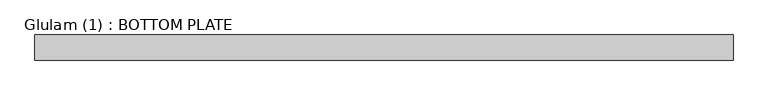
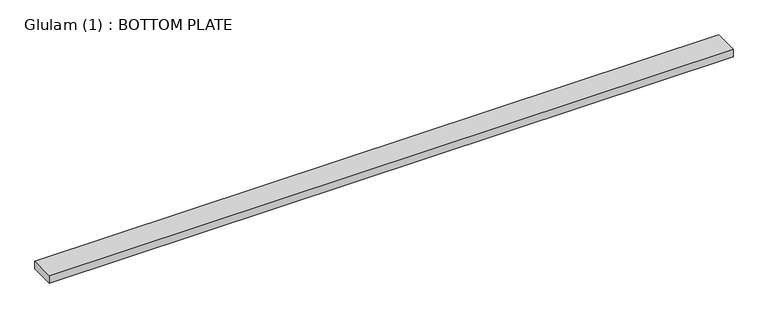
"""IFC4 building model written with IfcOpenShell, lengths in millimetres: beam geometry, Glulam (1) : BOTTOM PLATE."""

from ifc_helpers import new_model, si_unit, frame, origin, place, context, project, spatial, polyline, outline, extrude, source, transform, mapped, element, save


def glulam_1_bottom_plate_0892d015(model_context):
    return source(origin(), model_context, "Body", "SweptSolid", [
        extrude(outline(polyline([(2251.0, 70.0), (2251.0, -70.0), (-1633.0000006, -70.0), (-1633.0000006, 70.0), (2251.0, 70.0)])), frame((0.0, 0.0, -22.5), z_axis=(0.0, 0.0, 1.0), x_axis=(1.0, 0.0, 0.0)), (0.0, 0.0, 1.0), 45.0),
    ])


if __name__ == "__main__":
    model = new_model("IFC4")
    model_context = context("Model", 3, world=origin())
    ifc_project = project(units=[si_unit("LENGTHUNIT", "METRE", prefix="MILLI")], contexts=[model_context])
    site = spatial("IfcSite", under=ifc_project)
    building = spatial("IfcBuilding", under=site)
    placement = place(None, origin())
    glulam_1_bottom_plate_shape = glulam_1_bottom_plate_0892d015(model_context)
    element("IfcBeam", 1, ObjectType="Glulam (1) : BOTTOM PLATE", at=placement, inside=building, context=model_context, shape_type="MappedRepresentation", body=[
        mapped(glulam_1_bottom_plate_shape, transform((0.0, 0.0, 0.0), x_axis=(1.0, 0.0, 0.0), y_axis=(0.0, 1.0, 0.0), z_axis=(0.0, 0.0, 1.0))),
    ])
    save(model, "model.ifc")
